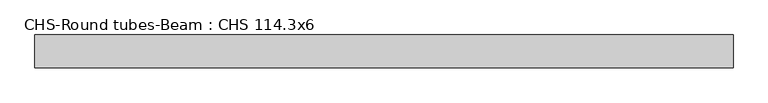
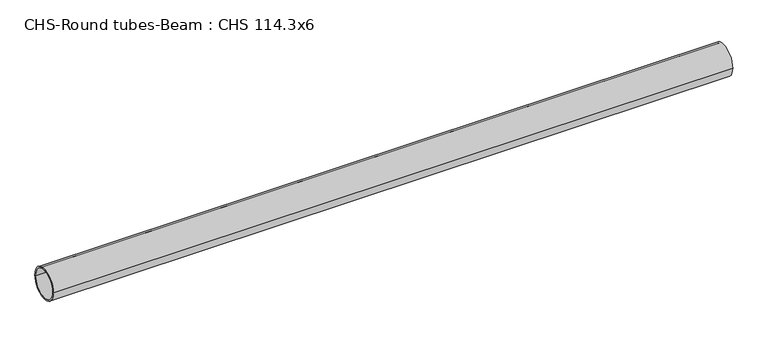
"""IFC4 building model written with IfcOpenShell, lengths in millimetres: beam geometry, CHS-Round tubes-Beam : CHS 114.3x6."""

from ifc_helpers import new_model, si_unit, point, frame, origin, origin_2d, place, context, project, spatial, circle_curve, trimmed, segment, composite_curve, outline, extrude, source, transform, mapped, element, save


def chs_round_tubes_beam_chs_114_3x6_5ef36a72(model_context):
    return source(origin(), model_context, "Body", "SweptSolid", [
        extrude(outline(composite_curve([segment(trimmed(circle_curve(origin_2d(), 57.15), [point((57.15, 0.0))], [point((-57.15, 0.0))], False, "CARTESIAN"), True, "CONTINUOUS"), segment(trimmed(circle_curve(origin_2d(), 57.15), [point((-57.15, 0.0))], [point((57.15, 0.0))], False, "CARTESIAN"), True, "CONTINUOUS")], self_intersect=False), holes=[composite_curve([segment(trimmed(circle_curve(origin_2d(), 51.15), [point((51.15, 0.0))], [point((-51.15, 0.0))], True, "CARTESIAN"), True, "CONTINUOUS"), segment(trimmed(circle_curve(origin_2d(), 51.15), [point((-51.15, 0.0))], [point((51.15, 0.0))], True, "CARTESIAN"), True, "CONTINUOUS")], self_intersect=False)]), frame((-1187.2636194, 0.0, 0.0), z_axis=(1.0, 0.0, 0.0), x_axis=(0.0, 1.0, 0.0)), (0.0, 0.0, 1.0), 2434.1457444),
    ])


if __name__ == "__main__":
    model = new_model("IFC4")
    model_context = context("Model", 3, world=origin())
    ifc_project = project(units=[si_unit("LENGTHUNIT", "METRE", prefix="MILLI")], contexts=[model_context])
    site = spatial("IfcSite", under=ifc_project)
    building = spatial("IfcBuilding", under=site)
    placement = place(None, origin())
    chs_round_tubes_beam_chs_114_3x6_shape = chs_round_tubes_beam_chs_114_3x6_5ef36a72(model_context)
    element("IfcBeam", 1, ObjectType="CHS-Round tubes-Beam : CHS 114.3x6", at=placement, inside=building, context=model_context, shape_type="MappedRepresentation", body=[
        mapped(chs_round_tubes_beam_chs_114_3x6_shape, transform((0.0, 0.0, 0.0), x_axis=(1.0, 0.0, 0.0), y_axis=(0.0, 1.0, 0.0), z_axis=(0.0, 0.0, 1.0))),
    ])
    save(model, "model.ifc")
